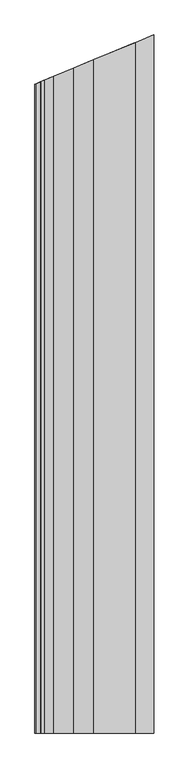
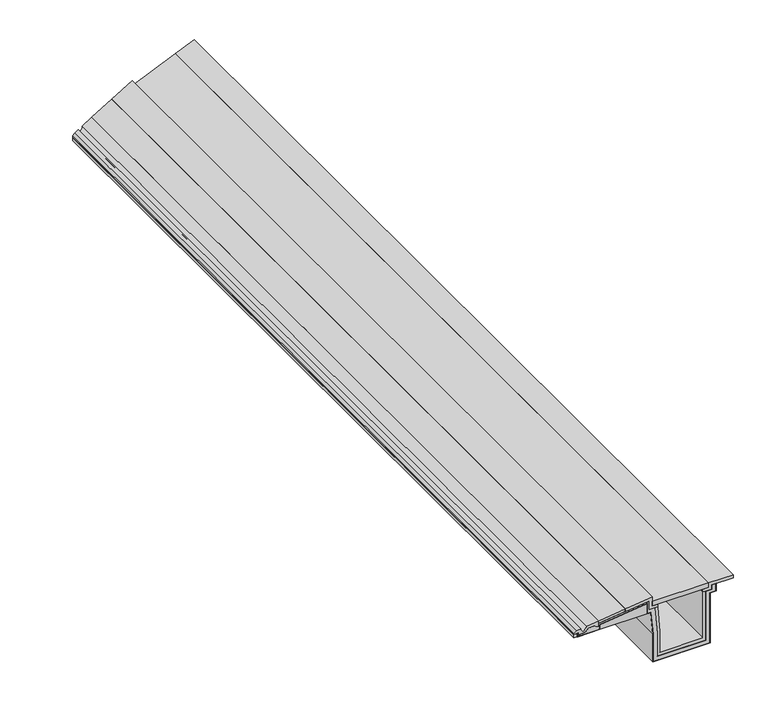
"""IFC4 building model written with IfcOpenShell, lengths in millimetres: proxy geometry."""

import ifcopenshell
import ifcopenshell.guid

model = None  # the IFC model being written
_history = None  # IfcOwnerHistory: only IFC2X3 demands one
_inside = {}  # id of a spatial element -> (the spatial element, [elements in it])
_under = {}  # id of a project, library or spatial element -> (it, [spatial elements below it])
_declared = {}  # id of a project -> (the project, [libraries it declares])
_typed = {}  # id of a type object -> (the type object, [elements of that type])
_made_of = {}  # id of a material, layer set ... -> (it, [elements and type objects made of it])


def new_model(schema):
    """Start an empty IFC model of exactly this schema.

    Asked for "IFC4X3", IfcOpenShell would pick the latest addendum, in which some entities
    have other attributes; the version numbers below select the first issue.
    IFC2X3 requires an IfcOwnerHistory on every rooted entity: one is made here for all.
    """
    global model, _history
    if schema == "IFC4X3":
        model = ifcopenshell.file(schema_version=(4, 3, 0, 0))
    else:
        model = ifcopenshell.file(schema=schema)
    _inside.clear()
    _under.clear()
    _declared.clear()
    _typed.clear()
    _made_of.clear()
    _history = None
    if model.schema == "IFC2X3":
        org = make("IfcOrganization", Name="unknown")
        user = make(
            "IfcPersonAndOrganization",
            ThePerson=make("IfcPerson", FamilyName="unknown"),
            TheOrganization=org,
        )
        app = make(
            "IfcApplication",
            ApplicationDeveloper=org,
            Version="unknown",
            ApplicationFullName="unknown",
            ApplicationIdentifier="unknown",
        )
        _history = make(
            "IfcOwnerHistory",
            OwningUser=user,
            OwningApplication=app,
            ChangeAction="ADDED",
            CreationDate=0,
        )
    return model


def make(cls, **values):
    """One entity of the class cls with the attributes given. An attribute that is None is left unset."""
    return model.create_entity(
        cls, **{name: value for name, value in values.items() if value is not None}
    )


def rooted(cls, **values):
    """An entity with a GlobalId (a new one), such as an element, a storey or a relation."""
    return make(cls, GlobalId=ifcopenshell.guid.new(), OwnerHistory=_history, **values)


def si_unit(unit_type, name, prefix=None):
    """IfcSIUnit, for example si_unit("LENGTHUNIT", "METRE", prefix="MILLI")."""
    return make("IfcSIUnit", UnitType=unit_type, Prefix=prefix, Name=name)


def assignment(units):
    """IfcUnitAssignment: the units of a project."""
    return None if units is None else make("IfcUnitAssignment", Units=units)


def point(xyz):
    """IfcCartesianPoint."""
    return None if xyz is None else make("IfcCartesianPoint", Coordinates=xyz)


def direction(xyz):
    """IfcDirection."""
    return None if xyz is None else make("IfcDirection", DirectionRatios=xyz)


def frame(location, z_axis=None, x_axis=None):
    """IfcAxis2Placement3D, a coordinate frame: its origin and axes. An axis left out is left unset."""
    return make(
        "IfcAxis2Placement3D",
        Location=point(location),
        Axis=direction(z_axis),
        RefDirection=direction(x_axis),
    )


def origin():
    """The frame at (0, 0, 0) with its axes left unset."""
    return frame((0.0, 0.0, 0.0))


def place(relative_to, where):
    """IfcLocalPlacement: puts the frame where relative to a parent placement (None: the world)."""
    return make(
        "IfcLocalPlacement", PlacementRelTo=relative_to, RelativePlacement=where
    )


def context(
    kind, dimensions, precision=None, world=None, true_north=None, identifier=None
):
    """IfcGeometricRepresentationContext, for example the 3D "Model" context."""
    return make(
        "IfcGeometricRepresentationContext",
        ContextIdentifier=identifier,
        ContextType=kind,
        CoordinateSpaceDimension=dimensions,
        Precision=precision,
        WorldCoordinateSystem=world,
        TrueNorth=true_north,
    )


def project(units=None, contexts=None):
    """IfcProject with its units and contexts."""
    return rooted(
        "IfcProject",
        Name="project",
        RepresentationContexts=contexts,
        UnitsInContext=assignment(units),
    )


def spatial(cls, under=None, at=None, **own):
    """A site, building, storey or space (cls), placed at a placement, below another one or the project."""
    s = rooted(cls, ObjectPlacement=at, **own)
    if under is not None:
        _under.setdefault(under.id(), (under, []))[1].append(s)
    return s


def polyline(points):
    """IfcPolyline through the points."""
    return make("IfcPolyline", Points=[point(p) for p in points])


def circle_curve(where, radius):
    """IfcCircle in the frame where."""
    return make("IfcCircle", Position=where, Radius=radius)


def ellipse_curve(where, semi_axis1, semi_axis2):
    """IfcEllipse in the frame where."""
    return make(
        "IfcEllipse", Position=where, SemiAxis1=semi_axis1, SemiAxis2=semi_axis2
    )


def outline(outer, holes=None, kind="AREA"):
    """IfcArbitraryClosedProfileDef: a profile drawn as a closed curve; with holes, ...WithVoids."""
    if holes is None:
        return make("IfcArbitraryClosedProfileDef", ProfileType=kind, OuterCurve=outer)
    return make(
        "IfcArbitraryProfileDefWithVoids",
        ProfileType=kind,
        OuterCurve=outer,
        InnerCurves=holes,
    )


def extrude(swept, where, along, depth):
    """IfcExtrudedAreaSolid: the profile swept, set in the frame where, extruded along a direction by depth."""
    return make(
        "IfcExtrudedAreaSolid",
        SweptArea=swept,
        Position=where,
        ExtrudedDirection=direction(along),
        Depth=depth,
    )


def faces_of(points, faces, orient=None, outer=None):
    """IfcFace entities. A face is a list of loops; a loop is a list of indices into points, from 0.

    orient and outer hold one flag for each loop. By default every Orientation is true, the
    first loop of a face is its IfcFaceOuterBound and the others are IfcFaceBound.
    """
    made = []
    for i, loops in enumerate(faces):
        bounds = []
        for j, loop in enumerate(loops):
            is_outer = j == 0 if outer is None else outer[i][j]
            bounds.append(
                make(
                    "IfcFaceOuterBound" if is_outer else "IfcFaceBound",
                    Bound=make("IfcPolyLoop", Polygon=[points[k] for k in loop]),
                    Orientation=True if orient is None else orient[i][j],
                )
            )
        made.append(make("IfcFace", Bounds=bounds))
    return made


def faceted_brep(points, faces, orient=None, outer=None, voids=None):
    """IfcFacetedBrep: a solid bounded by flat faces; with voids (closed shells), ...WithVoids."""
    shared = [point(p) for p in points]
    hull = make("IfcClosedShell", CfsFaces=faces_of(shared, faces, orient, outer))
    if voids is None:
        return make("IfcFacetedBrep", Outer=hull)
    return make(
        "IfcFacetedBrepWithVoids",
        Outer=hull,
        Voids=[
            make(cls, CfsFaces=faces_of(shared, fs, o, b)) for cls, fs, o, b in voids
        ],
    )


def shape(context_of_items, identifier, shape_type, items):
    """IfcShapeRepresentation: the items that make up one representation, for example the "Body"."""
    return make(
        "IfcShapeRepresentation",
        ContextOfItems=context_of_items,
        RepresentationIdentifier=identifier,
        RepresentationType=shape_type,
        Items=items,
    )


def source(mapping_origin, context_of_items, identifier, shape_type, items):
    """IfcRepresentationMap: a shape defined once, which mapped items show again and again."""
    return make(
        "IfcRepresentationMap",
        MappingOrigin=mapping_origin,
        MappedRepresentation=shape(context_of_items, identifier, shape_type, items),
    )


def transform(
    local_origin,
    x_axis=None,
    y_axis=None,
    z_axis=None,
    scale=None,
    scale2=None,
    scale3=None,
    uniform=True,
):
    """IfcCartesianTransformationOperator3D, or its non-uniform kind. x_axis, y_axis, z_axis: its Axis1, 2, 3."""
    if uniform:
        return make(
            "IfcCartesianTransformationOperator3D",
            Axis1=direction(x_axis),
            Axis2=direction(y_axis),
            LocalOrigin=point(local_origin),
            Scale=scale,
            Axis3=direction(z_axis),
        )
    return make(
        "IfcCartesianTransformationOperator3DnonUniform",
        Axis1=direction(x_axis),
        Axis2=direction(y_axis),
        LocalOrigin=point(local_origin),
        Scale=scale,
        Axis3=direction(z_axis),
        Scale2=scale2,
        Scale3=scale3,
    )


def mapped(mapping_source, mapping_target):
    """IfcMappedItem: shows the shape of a source again, moved by a transform."""
    return make(
        "IfcMappedItem", MappingSource=mapping_source, MappingTarget=mapping_target
    )


def made_of(thing, what):
    """Note that an element or type object is made of a material, layer set ...; save() writes the relation."""
    if what is not None:
        _made_of.setdefault(what.id(), (what, []))[1].append(thing)
    return thing


def element(
    cls,
    number,
    at=None,
    inside=None,
    cuts=None,
    type_object=None,
    material=None,
    context=None,
    identifier="Body",
    shape_type=None,
    held_by="IfcProductDefinitionShape",
    body=None,
    shapes=None,
    **own,
):
    """One element of the class cls, such as IfcWall. Its Tag is "e" and its number.

    at: its placement. inside: the storey or other place that contains it. cuts: it is an
    opening in that element (IfcRelVoidsElement). A single representation is given by context,
    identifier, shape_type and body (its items); several are given by shapes. held_by: the class
    of the entity that holds the representations. save() writes the other relations.
    """
    e = rooted(cls, Tag="e%d" % number, ObjectPlacement=at, **own)
    if body is not None:
        shapes = [shape(context, identifier, shape_type, body)]
    if shapes is not None:
        e.Representation = make(held_by, Representations=shapes)
    if inside is not None:
        _inside.setdefault(inside.id(), (inside, []))[1].append(e)
    if cuts is not None:
        rooted(
            "IfcRelVoidsElement", RelatingBuildingElement=cuts, RelatedOpeningElement=e
        )
    if type_object is not None:
        _typed.setdefault(type_object.id(), (type_object, []))[1].append(e)
    return made_of(e, material)


def aggregate(whole, parts):
    """IfcRelAggregates: a whole, such as a stair, and the parts it consists of."""
    return rooted("IfcRelAggregates", RelatingObject=whole, RelatedObjects=parts)


def save(model, path):
    """Write the relations noted so far, then the file.

    IfcRelAggregates (storeys below a building ...), IfcRelContainedInSpatialStructure (elements
    in a storey), IfcRelDefinesByType, IfcRelAssociatesMaterial and IfcRelDeclares: one each for
    every whole, place, type object, material and project.
    """
    for whole, parts in _under.values():
        aggregate(whole, parts)
    for where, things in _inside.values():
        rooted(
            "IfcRelContainedInSpatialStructure",
            RelatedElements=things,
            RelatingStructure=where,
        )
    for kind, things in _typed.values():
        rooted("IfcRelDefinesByType", RelatedObjects=things, RelatingType=kind)
    for what, things in _made_of.values():
        rooted("IfcRelAssociatesMaterial", RelatedObjects=things, RelatingMaterial=what)
    for by, libraries in _declared.values():
        rooted("IfcRelDeclares", RelatingContext=by, RelatedDefinitions=libraries)
    model.write(path)


def plane_surface(at):
    """IfcPlane: the flat surface through the origin of the frame at, square to its z axis."""
    return make("IfcPlane", Position=at)


def revolved_surface(curve, axis_point, axis_direction):
    """IfcSurfaceOfRevolution: the curve turned about the line through axis_point along axis_direction."""
    return make(
        "IfcSurfaceOfRevolution",
        SweptCurve=make("IfcArbitraryOpenProfileDef", ProfileType="CURVE", Curve=curve),
        AxisPosition=make("IfcAxis1Placement", Location=point(axis_point), Axis=direction(axis_direction)),
    )


def advanced_brep(points, edges, surfaces, faces):
    """IfcAdvancedBrep: a solid bounded by faces that lie on surfaces and meet in shared edges.

    An edge is (start, end): straight between two places in points (the first is 0);
    or (start, end, curve); or (start, end, curve, False) where it runs against its curve.
    A face is (place in surfaces, loops), or (place, loops, False) where it looks against
    its surface's normal. A loop lists edges by number (the first is 1), with a minus sign
    where the edge is run from its end to its start. The first loop is the outer one.
    """
    corners = [point(p) for p in points]
    vertices = [make("IfcVertexPoint", VertexGeometry=c) for c in corners]
    made = []
    for start, end, *more in edges:
        made.append(
            make(
                "IfcEdgeCurve",
                EdgeStart=vertices[start],
                EdgeEnd=vertices[end],
                EdgeGeometry=more[0] if more else make("IfcPolyline", Points=[corners[start], corners[end]]),
                SameSense=more[1] if len(more) > 1 else True,
            )
        )
    hull = []
    for where, loops, *sense in faces:
        bounds = []
        for j, loop in enumerate(loops):
            ring = [make("IfcOrientedEdge", EdgeElement=made[abs(k) - 1], Orientation=k > 0) for k in loop]
            bounds.append(
                make(
                    "IfcFaceOuterBound" if j == 0 else "IfcFaceBound",
                    Bound=make("IfcEdgeLoop", EdgeList=ring),
                    Orientation=True,
                )
            )
        hull.append(make("IfcAdvancedFace", Bounds=bounds, FaceSurface=surfaces[where], SameSense=sense[0] if sense else True))
    return make("IfcAdvancedBrep", Outer=make("IfcClosedShell", CfsFaces=hull))


def generic_models_0149f2cd(model_context):
    return source(origin(), model_context, "Body", "SolidModel", [
        faceted_brep([(15.0, 1870.5425715, 263.0859585), (15.0, 1870.5425715, 245.682064), (0.0, 1864.329368, 245.682064), (0.0, 1864.329368, 261.2441901), (15.0, -2170.8474042, 263.0859585), (15.0, -2170.8474042, 245.682064), (0.0, -2170.8474042, 245.682064), (0.0, -2170.8474042, 261.2441901)], [[[0, 1, 2, 3]], [[4, 5, 1, 0]], [[5, 6, 2, 1]], [[6, 7, 3, 2]], [[7, 4, 0, 3]], [[4, 7, 6, 5]]]),
        faceted_brep([(116.0, 1912.3781413, 290.5998466), (237.7, 1962.7879318, 305.5427276), (237.7, 1962.7879318, 293.4526097), (116.0, 1912.3781413, 278.5097287), (116.0, -2170.8474042, 290.5998466), (237.7, -2170.8474042, 305.5427276), (237.7, -2170.8474042, 293.4526097), (116.0, -2170.8474042, 278.5097287)], [[[0, 1, 2, 3]], [[4, 5, 1, 0]], [[5, 6, 2, 1]], [[6, 7, 3, 2]], [[7, 4, 0, 3]], [[4, 7, 6, 5]]]),
        extrude(outline(polyline([(625.0, -2170.8474042), (363.5893809, -2170.8474042), (363.5893809, 2014.9330207), (625.0, 2123.2128445), (625.0, -2170.8474042)])), frame((0.0, 0.0, 276.0), z_axis=(0.0, 0.0, 1.0), x_axis=(1.0, 0.0, 0.0)), (0.0, 0.0, 1.0), 22.0),
        faceted_brep([(339.5893809, -2170.8474042, 295.8879544), (339.5893809, -2170.8474042, 245.682064), (339.5893809, 2004.9918952, 245.682064), (339.5893809, 2004.9918952, 295.8879544), (120.5, -2170.8474042, 245.682064), (120.5, 1914.2421023, 245.682064), (120.5, -2170.8474042, 268.9871609), (120.5, 1914.2421023, 268.9871609)], [[[0, 1, 2, 3]], [[1, 4, 5, 2]], [[4, 6, 7, 5]], [[6, 0, 3, 7]], [[3, 2, 5, 7]], [[0, 6, 4, 1]]]),
        faceted_brep([(20.0, -2170.8474042, 246.682064), (119.5, -2170.8474042, 246.682064), (119.5, 1913.8278887, 246.682064), (20.0, 1872.6136393, 246.682064), (119.5, 1913.8278887, 269.8718862), (340.5893809, 2005.4061088, 297.0182488), (340.5893809, 2005.4061088, 246.682064), (357.8456292, 2012.5538809, 246.682064), (368.0, 2016.759959, 134.5539912), (368.0, 2016.759959, 1.0), (632.0, 2126.1123394, 1.0), (632.0, 2126.1123394, 246.682064), (660.0, 2137.7103192, 246.682064), (660.0, 2137.7103192, 278.0), (661.0, 2138.1245327, 278.0), (661.0, 2138.1245327, 245.682064), (633.0, 2126.526553, 245.682064), (633.0, 2126.526553, 0.0), (367.0, 2016.3457454, 0.0), (367.0, 2016.3457454, 134.5088034), (356.9320974, 2012.1754836, 245.682064), (339.5893809, 2004.9918952, 245.682064), (339.5893809, 2004.9918952, 295.8879544), (120.5, 1914.2421023, 268.9871609), (120.5, 1914.2421023, 245.682064), (20.0, 1872.6136393, 245.682064), (119.5, -2170.8474042, 269.8718862), (340.5893809, -2170.8474042, 297.0182488), (340.5893809, -2170.8474042, 246.682064), (357.8456292, -2170.8474042, 246.682064), (356.9320974, -2170.8474042, 245.682064), (339.5893809, -2170.8474042, 245.682064), (339.5893809, -2170.8474042, 295.8879544), (120.5, -2170.8474042, 268.9871609), (120.5, -2170.8474042, 245.682064), (20.0, -2170.8474042, 245.682064), (368.0, -2170.8474042, 1.0), (632.0, -2170.8474042, 1.0), (633.0, -2170.8474042, 0.0), (367.0, -2170.8474042, 0.0), (367.0, -2170.8474042, 134.5088034), (632.0, -2170.8474042, 246.682064), (660.0, -2170.8474042, 246.682064), (633.0, -2170.8474042, 245.682064), (368.0, -2170.8474042, 134.5539912), (660.0, -2170.8474042, 278.0), (661.0, -2170.8474042, 278.0), (661.0, -2170.8474042, 245.682064)], [[[0, 1, 2, 3]], [[3, 2, 4, 5, 6, 7, 8, 9, 10, 11, 12, 13, 14, 15, 16, 17, 18, 19, 20, 21, 22, 23, 24, 25]], [[1, 26, 4, 2]], [[26, 27, 5, 4]], [[27, 28, 6, 5]], [[28, 29, 7, 6]], [[30, 31, 21, 20]], [[31, 32, 22, 21]], [[32, 33, 23, 22]], [[33, 34, 24, 23]], [[34, 35, 25, 24]], [[35, 0, 3, 25]], [[36, 37, 10, 9]], [[38, 39, 18, 17]], [[39, 40, 19, 18]], [[37, 41, 11, 10]], [[41, 42, 12, 11]], [[43, 38, 17, 16]], [[29, 44, 8, 7]], [[44, 36, 9, 8]], [[40, 30, 20, 19]], [[42, 45, 13, 12]], [[45, 46, 14, 13]], [[46, 47, 15, 14]], [[47, 43, 16, 15]], [[1, 0, 35, 34, 33, 32, 31, 30, 40, 39, 38, 43, 47, 46, 45, 42, 41, 37, 36, 44, 29, 28, 27, 26]]]),
        faceted_brep([(348.5893809, 2008.7198173, 304.0455842), (348.5893809, 2008.7198173, 262.0), (376.5402742, 2020.2974564, 262.0), (388.0, 2025.0442302, 135.4577467), (388.0, 2025.0442302, 21.0), (612.0, 2117.8280682, 21.0), (612.0, 2117.8280682, 262.0), (640.0, 2129.4260479, 262.0), (640.0, 2129.4260479, 283.0), (661.0, 2138.1245327, 283.0), (661.0, 2138.1245327, 278.0), (660.0, 2137.7103192, 278.0), (660.0, 2137.7103192, 246.682064), (632.0, 2126.1123394, 246.682064), (632.0, 2126.1123394, 1.0), (368.0, 2016.759959, 1.0), (368.0, 2016.759959, 134.5539912), (357.8456292, 2012.5538809, 246.682064), (340.5893809, 2005.4061088, 246.682064), (340.5893809, 2005.4061088, 297.0182488), (119.5, 1913.8278887, 269.8718862), (119.5, 1913.8278887, 246.682064), (20.0, 1872.6136393, 246.682064), (20.0, 1872.6136393, 245.682064), (15.0, 1870.5425715, 245.682064), (15.0, 1870.5425715, 263.0859585), (20.0, 1872.6136393, 263.6998813), (20.0, 1872.6136393, 252.5040499), (55.5685701, 1887.3466234, 256.6579811), (67.5834837, 1892.3233636, 269.5423985), (93.3955598, 1903.0150755, 272.7117229), (104.5, 1907.6146853, 263.5998466), (116.0, 1912.3781413, 263.5998466), (116.0, 1912.3781413, 278.5097287), (237.7, 1962.7879318, 293.4526097), (237.7, 1962.7879318, 290.4300803), (348.5893809, -2170.8474042, 304.0455842), (348.5893809, -2170.8474042, 262.0), (376.5402742, -2170.8474042, 262.0), (357.8456292, -2170.8474042, 246.682064), (340.5893809, -2170.8474042, 246.682064), (340.5893809, -2170.8474042, 297.0182488), (119.5, -2170.8474042, 269.8718862), (119.5, -2170.8474042, 246.682064), (15.0, -2170.8474042, 245.682064), (15.0, -2170.8474042, 263.0859585), (20.0, -2170.8474042, 263.6998813), (20.0, -2170.8474042, 252.5040499), (55.5685701, -2170.8474042, 256.6579811), (67.5834837, -2170.8474042, 269.5423985), (93.3955598, -2170.8474042, 272.7117229), (104.5, -2170.8474042, 263.5998466), (116.0, -2170.8474042, 263.5998466), (116.0, -2170.8474042, 278.5097287), (237.7, -2170.8474042, 290.4300803), (237.7, -2170.8474042, 293.4526097), (388.0, -2170.8474042, 21.0), (612.0, -2170.8474042, 21.0), (612.0, -2170.8474042, 262.0), (640.0, -2170.8474042, 262.0), (632.0, -2170.8474042, 246.682064), (632.0, -2170.8474042, 1.0), (368.0, -2170.8474042, 1.0), (20.0, -2170.8474042, 246.682064), (388.0, -2170.8474042, 135.4577467), (368.0, -2170.8474042, 134.5539912), (640.0, -2170.8474042, 283.0), (661.0, -2170.8474042, 283.0), (660.0, -2170.8474042, 278.0), (660.0, -2170.8474042, 246.682064), (661.0, -2170.8474042, 278.0), (20.0, -2170.8474042, 245.682064)], [[[0, 1, 2, 3, 4, 5, 6, 7, 8, 9, 10, 11, 12, 13, 14, 15, 16, 17, 18, 19, 20, 21, 22, 23, 24, 25, 26, 27, 28, 29, 30, 31, 32, 33, 34, 35]], [[36, 37, 1, 0]], [[37, 38, 2, 1]], [[39, 40, 18, 17]], [[40, 41, 19, 18]], [[41, 42, 20, 19]], [[42, 43, 21, 20]], [[44, 45, 25, 24]], [[45, 46, 26, 25]], [[46, 47, 27, 26]], [[47, 48, 28, 27]], [[48, 49, 29, 28]], [[49, 50, 30, 29]], [[50, 51, 31, 30]], [[51, 52, 32, 31]], [[52, 53, 33, 32]], [[54, 36, 0, 35]], [[55, 54, 35, 34]], [[56, 57, 5, 4]], [[57, 58, 6, 5]], [[58, 59, 7, 6]], [[60, 61, 14, 13]], [[61, 62, 15, 14]], [[43, 63, 22, 21]], [[38, 64, 3, 2]], [[64, 56, 4, 3]], [[62, 65, 16, 15]], [[65, 39, 17, 16]], [[53, 55, 34, 33]], [[59, 66, 8, 7]], [[66, 67, 9, 8]], [[68, 69, 12, 11]], [[69, 60, 13, 12]], [[67, 70, 10, 9]], [[70, 68, 11, 10]], [[63, 71, 23, 22]], [[71, 44, 24, 23]], [[36, 54, 55, 53, 52, 51, 50, 49, 48, 47, 46, 45, 44, 71, 63, 43, 42, 41, 40, 39, 65, 62, 61, 60, 69, 68, 70, 67, 66, 59, 58, 57, 56, 64, 38, 37]]]),
        faceted_brep([(400.0, 2030.014793, 36.0), (600.0, 2112.8575054, 36.0), (600.0, 2112.8575054, 262.0), (612.0, 2117.8280682, 262.0), (612.0, 2117.8280682, 21.0), (388.0, 2025.0442302, 21.0), (388.0, 2025.0442302, 135.4577467), (376.5402742, 2020.2974564, 262.0), (388.5893809, 2025.2883598, 262.0), (400.0, 2030.014793, 136.0), (400.0, -2170.8474042, 36.0), (600.0, -2170.8474042, 36.0), (600.0, -2170.8474042, 262.0), (612.0, -2170.8474042, 262.0), (612.0, -2170.8474042, 21.0), (388.0, -2170.8474042, 21.0), (388.0, -2170.8474042, 135.4577467), (376.5402742, -2170.8474042, 262.0), (388.5893809, -2170.8474042, 262.0), (400.0, -2170.8474042, 136.0)], [[[0, 1, 2, 3, 4, 5, 6, 7, 8, 9]], [[10, 11, 1, 0]], [[11, 12, 2, 1]], [[12, 13, 3, 2]], [[14, 15, 5, 4]], [[15, 16, 6, 5]], [[16, 17, 7, 6]], [[17, 18, 8, 7]], [[18, 19, 9, 8]], [[19, 10, 0, 9]], [[13, 14, 4, 3]], [[10, 19, 18, 17, 16, 15, 14, 13, 12, 11]]]),
        advanced_brep(
        [(0.0, -2170.8474042, 261.2441901), (0.0, -2170.8474042, 269.8936236), (0.0, 1864.329368, 269.8936236), (0.0, 1864.329368, 261.2441901), (9.7094451, 1868.3511519, 277.5490075), (32.0, 1877.584202, 280.2859435), (37.8105267, 1879.991001, 264.554064), (57.0, 1887.9395411, 283.3555575), (116.0, 1912.3781413, 290.5998466), (116.0, 1912.3781413, 263.5998466), (104.5, 1907.6146853, 263.5998466), (93.3955598, 1903.0150755, 272.7117229), (67.5834837, 1892.3233636, 269.5423985), (55.5685701, 1887.3466234, 256.6579811), (20.0, 1872.6136393, 252.5040499), (20.0, 1872.6136393, 263.6998813), (9.7094451, -2170.8474042, 277.5490075), (32.0, -2170.8474042, 280.2859435), (37.8105267, -2170.8474042, 264.554064), (57.0, -2170.8474042, 283.3555575), (116.0, -2170.8474042, 290.5998466), (116.0, -2170.8474042, 263.5998466), (104.5, -2170.8474042, 263.5998466), (93.3955598, -2170.8474042, 272.7117229), (67.5834837, -2170.8474042, 269.5423985), (55.5685701, -2170.8474042, 256.6579811), (20.0, -2170.8474042, 252.5040499), (20.0, -2170.8474042, 263.6998813)],
        [
            (0, 1),
            (1, 2),
            (2, 3),
            (3, 0),
            (2, 4),
            (4, 5),
            (5, 6, ellipse_curve(frame((55.4488943, 1887.2970521, 280.0077377), z_axis=(0.3826834323650892, -0.9238795325112871, 0.0), x_axis=(-0.9238795325112871, -0.38268343236508895, 0.0)), 25.3826866, 23.4505447)),
            (6, 7, ellipse_curve(frame((37.8886508, 1880.023361, 283.6678042), z_axis=(0.3826834323650892, -0.9238795325112871, 0.0), x_axis=(-0.9238795325112871, -0.38268343236508895, 0.0)), 20.6887361, 19.1138998)),
            (7, 8),
            (8, 9),
            (9, 10),
            (10, 11),
            (11, 12),
            (12, 13),
            (13, 14),
            (14, 15),
            (15, 3),
            (1, 16),
            (16, 4),
            (16, 17),
            (17, 5),
            (17, 18, circle_curve(frame((55.4488943, -2170.8474042, 280.0077377), z_axis=(0.0, -1.0, 0.0), x_axis=(1.0, 0.0, 0.0)), 23.4505447)),
            (18, 6),
            (18, 19, circle_curve(frame((37.8886508, -2170.8474042, 283.6678042), z_axis=(0.0, -1.0, 0.0), x_axis=(1.0, 0.0, 0.0)), 19.1138998)),
            (19, 7),
            (19, 20),
            (20, 8),
            (20, 21),
            (21, 9),
            (21, 22),
            (22, 10),
            (22, 23),
            (23, 11),
            (23, 24),
            (24, 12),
            (24, 25),
            (25, 13),
            (25, 26),
            (26, 14),
            (26, 27),
            (27, 15),
            (27, 0),
        ],
        [
            plane_surface(frame((0.0, 2170.8474042, 261.2441901), z_axis=(-1.0, 0.0, 0.0), x_axis=(0.0, -1.0, 0.0))),
            plane_surface(frame((0.0, 1864.329368, 321.0), z_axis=(-0.3826834323650892, 0.9238795325112871, 0.0), x_axis=(0.0, 0.0, -1.0))),
            plane_surface(frame((0.0, 2170.8474042, 269.8936236), z_axis=(-0.6191475432586214, 0.0, 0.7852746778527966), x_axis=(0.0, -1.0, 0.0))),
            plane_surface(frame((9.7094451, 2170.8474042, 277.5490075), z_axis=(-0.12186934340514402, 0.0, 0.9925461516413224), x_axis=(0.0, -1.0, 0.0))),
            revolved_surface(polyline([(78.899439, -2170.8474042, 280.0077377), (78.899439, 1897.0105857307353, 280.0077377)]), (55.4488943, 2170.8474042, 280.0077377), (0.0, -1.0, 0.0)),
            revolved_surface(polyline([(57.0025506, -2170.8474042, 283.6678042), (57.0025506, 1887.9405975420436, 283.6678042)]), (37.8886508, 2170.8474042, 283.6678042), (0.0, -1.0, 0.0)),
            plane_surface(frame((57.0, 2170.8474042, 283.3555575), z_axis=(-0.12186934340514415, 0.0, 0.9925461516413225), x_axis=(0.0, -1.0, 0.0))),
            plane_surface(frame((116.0, 2170.8474042, 290.5998466), z_axis=(1.0, 0.0, 0.0), x_axis=(0.0, -1.0, 0.0))),
            plane_surface(frame((116.0, 2170.8474042, 263.5998466), z_axis=(0.0, 0.0, -1.0), x_axis=(0.0, -1.0, 0.0))),
            plane_surface(frame((104.5, 2170.8474042, 263.5998466), z_axis=(-0.63433911210237, 0.0, -0.7730549080480486), x_axis=(0.0, -1.0, 0.0))),
            plane_surface(frame((93.3955598, 2170.8474042, 272.7117229), z_axis=(0.12186934340514435, 0.0, -0.9925461516413224), x_axis=(0.0, -1.0, 0.0))),
            plane_surface(frame((67.5834837, 2170.8474042, 269.5423985), z_axis=(0.7313537016191691, 0.0, -0.6819983600624999), x_axis=(0.0, -1.0, 0.0))),
            plane_surface(frame((55.5685701, 2170.8474042, 256.6579811), z_axis=(0.11599818969749838, 0.0, -0.9932494248610987), x_axis=(0.0, -1.0, 0.0))),
            plane_surface(frame((20.0, 2170.8474042, 252.5040499), z_axis=(-1.0, 0.0, 0.0), x_axis=(0.0, -1.0, 0.0))),
            plane_surface(frame((20.0, 2170.8474042, 263.6998813), z_axis=(0.1218693434051437, 0.0, -0.9925461516413225), x_axis=(0.0, -1.0, 0.0))),
            plane_surface(frame((0.0, -2170.8474042, 0.0), z_axis=(0.0, -1.0, 0.0), x_axis=(0.0, 0.0, 1.0))),
        ],
        [
            (0, [[1, 2, 3, 4]]),
            (1, [[-3, 5, 6, 7, 8, 9, 10, 11, 12, 13, 14, 15, 16, 17]]),
            (2, [[18, 19, -5, -2]]),
            (3, [[20, 21, -6, -19]]),
            (4, [[22, 23, -7, -21]]),
            (5, [[24, 25, -8, -23]]),
            (6, [[26, 27, -9, -25]]),
            (7, [[28, 29, -10, -27]]),
            (8, [[30, 31, -11, -29]]),
            (9, [[32, 33, -12, -31]]),
            (10, [[34, 35, -13, -33]]),
            (11, [[36, 37, -14, -35]]),
            (12, [[38, 39, -15, -37]]),
            (13, [[40, 41, -16, -39]]),
            (14, [[42, -4, -17, -41]]),
            (15, [[-42, -40, -38, -36, -34, -32, -30, -28, -26, -24, -22, -20, -18, -1]]),
        ],
    ),
        faceted_brep([(237.7, 1962.7879318, 305.5427276), (363.5893809, 2014.9330207, 321.0), (363.5893809, 2014.9330207, 276.0), (388.5893809, 2025.2883598, 276.0), (388.5893809, 2025.2883598, 262.0), (348.5893809, 2008.7198173, 262.0), (348.5893809, 2008.7198173, 304.0455842), (237.7, 1962.7879318, 290.4300803), (237.7, -2170.8474042, 305.5427276), (363.5893809, -2170.8474042, 321.0), (363.5893809, -2170.8474042, 276.0), (388.5893809, -2170.8474042, 276.0), (388.5893809, -2170.8474042, 262.0), (348.5893809, -2170.8474042, 262.0), (348.5893809, -2170.8474042, 304.0455842), (237.7, -2170.8474042, 290.4300803)], [[[0, 1, 2, 3, 4, 5, 6, 7]], [[8, 9, 1, 0]], [[9, 10, 2, 1]], [[10, 11, 3, 2]], [[11, 12, 4, 3]], [[12, 13, 5, 4]], [[13, 14, 6, 5]], [[14, 15, 7, 6]], [[15, 8, 0, 7]], [[8, 15, 14, 13, 12, 11, 10, 9]]]),
        faceted_brep([(625.0, 2123.2128445, 276.0), (625.0, 2123.2128445, 298.0), (740.0, 2170.8474042, 298.0), (740.0, 2170.8474042, 283.0), (640.0, 2129.4260479, 283.0), (640.0, 2129.4260479, 262.0), (600.0, 2112.8575054, 262.0), (600.0, 2112.8575054, 276.0), (625.0, -2170.8474042, 276.0), (625.0, -2170.8474042, 298.0), (740.0, -2170.8474042, 298.0), (740.0, -2170.8474042, 283.0), (640.0, -2170.8474042, 283.0), (640.0, -2170.8474042, 262.0), (600.0, -2170.8474042, 262.0), (600.0, -2170.8474042, 276.0)], [[[0, 1, 2, 3, 4, 5, 6, 7]], [[8, 9, 1, 0]], [[9, 10, 2, 1]], [[10, 11, 3, 2]], [[11, 12, 4, 3]], [[12, 13, 5, 4]], [[13, 14, 6, 5]], [[14, 15, 7, 6]], [[15, 8, 0, 7]], [[8, 15, 14, 13, 12, 11, 10, 9]]]),
    ])


if __name__ == "__main__":
    model = new_model("IFC4")
    model_context = context("Model", 3, world=origin())
    ifc_project = project(units=[si_unit("LENGTHUNIT", "METRE", prefix="MILLI")], contexts=[model_context])
    site = spatial("IfcSite", under=ifc_project)
    building = spatial("IfcBuilding", under=site)
    placement = place(None, origin())
    generic_models_shape = generic_models_0149f2cd(model_context)
    element("IfcBuildingElementProxy", 1, Name="Generic Models", at=placement, inside=building, context=model_context, shape_type="MappedRepresentation", body=[
        mapped(generic_models_shape, transform((0.0, 0.0, 0.0), x_axis=(1.0, 0.0, 0.0), y_axis=(0.0, 1.0, 0.0), z_axis=(0.0, 0.0, 1.0))),
    ])
    save(model, "model.ifc")
